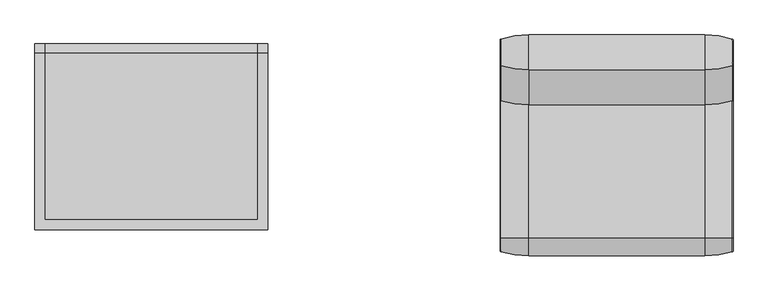
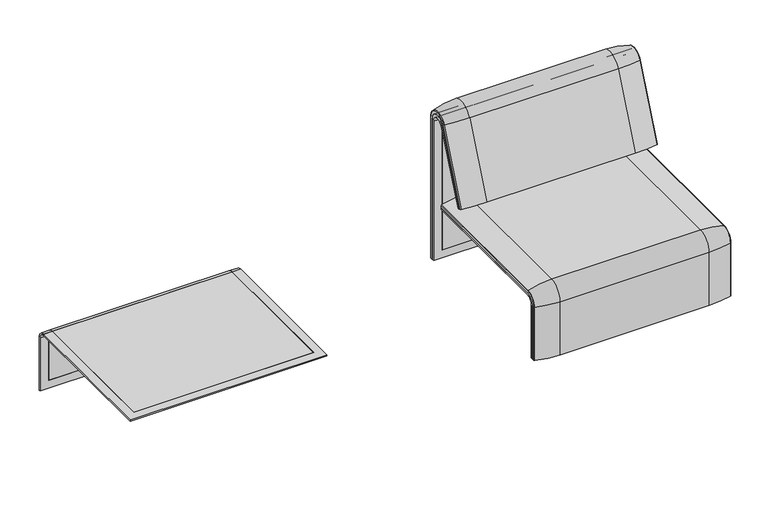
"""IFC4 building model written with IfcOpenShell, lengths in millimetres: furniture geometry."""

from ifc_helpers import new_model, si_unit, point, frame, frame_2d, origin, place, context, project, spatial, polyline, circle_curve, ellipse_curve, trimmed, segment, composite_curve, outline, extrude, source, transform, mapped, element, save
from ifc_brep_helpers import plane_surface, cylinder_surface, revolved_surface, advanced_brep


def furniture_2a7618e4(model_context):
    return source(origin(), model_context, "Body", "SolidModel", [
        advanced_brep(
        [(407.9906244, 295.0, 359.922434), (407.9906244, 295.0, 366.172434), (1223.9718733, 295.0, 366.172434), (1223.9718733, 295.0, 359.922434), (407.9906244, -357.5, 333.0583003), (407.9906244, -357.5, 100.5089435), (1223.9718733, -357.5, 100.5089435), (1223.9718733, -357.5, 333.0583003), (1189.0718733, -357.5, 333.0583003), (1189.0718733, -357.5, 135.3766997), (442.8906244, -357.5, 135.3766997), (442.8906244, -357.5, 333.0583003), (407.9906244, -323.7517936, 359.922434), (1223.9718733, -323.7517936, 359.922434), (1189.0718733, -323.7517936, 359.922434), (1189.0718733, 260.0, 359.922434), (442.8906244, 260.0, 359.922434), (442.8906244, -323.7517936, 359.922434), (1189.0718733, -351.0, 135.3766997), (1189.0718733, -324.3858663, 366.172434), (1189.0718733, 260.0, 366.172434), (1189.0718733, -351.0, 332.6742277), (442.8906244, 260.0, 366.172434), (407.9906244, -351.0, 332.6742277), (407.9906244, -351.0, 100.5089435), (407.9906244, -324.3858663, 366.172434), (1223.9718733, -324.3858663, 366.172434), (1223.9718733, -351.0, 100.5089435), (1223.9718733, -351.0, 332.6742277), (442.8906244, -324.3858663, 366.172434), (442.8906244, -351.0, 332.6742277), (442.8906244, -351.0, 135.3766997)],
        [
            (0, 1),
            (1, 2),
            (2, 3),
            (3, 0),
            (4, 5),
            (5, 6),
            (6, 7),
            (7, 8),
            (8, 9),
            (9, 10),
            (10, 11),
            (11, 4),
            (12, 0),
            (3, 13),
            (13, 14),
            (14, 15),
            (15, 16),
            (16, 17),
            (17, 12),
            (18, 9),
            (8, 19, circle_curve(frame((1189.0718733, -324.3858663, 333.0583003), z_axis=(-1.0, 0.0, 0.0), x_axis=(0.0, -1.0, 0.0)), 33.1141337)),
            (19, 20),
            (20, 15),
            (14, 21, circle_curve(frame((1189.0718733, -323.7517936, 332.6742277), z_axis=(1.0, 0.0, 0.0), x_axis=(0.0, -1.0, 0.0)), 27.2482064)),
            (21, 18),
            (22, 16),
            (20, 22),
            (12, 23, circle_curve(frame((407.9906244, -323.7517936, 332.6742277), z_axis=(1.0, 0.0, 0.0), x_axis=(0.0, -1.0, 0.0)), 27.2482064)),
            (23, 24),
            (24, 5),
            (4, 25, circle_curve(frame((407.9906244, -324.3858663, 333.0583003), z_axis=(-1.0, 0.0, 0.0), x_axis=(0.0, -1.0, 0.0)), 33.1141337)),
            (25, 1),
            (2, 26),
            (26, 7, circle_curve(frame((1223.9718733, -324.3858663, 333.0583003), z_axis=(1.0, 0.0, 0.0), x_axis=(0.0, -1.0, 0.0)), 33.1141337)),
            (6, 27),
            (27, 28),
            (28, 13, circle_curve(frame((1223.9718733, -323.7517936, 332.6742277), z_axis=(-1.0, 0.0, 0.0), x_axis=(0.0, -1.0, 0.0)), 27.2482064)),
            (25, 29),
            (29, 22),
            (19, 26),
            (11, 29, circle_curve(frame((442.8906244, -324.3858663, 333.0583003), z_axis=(-1.0, 0.0, 0.0), x_axis=(0.0, -1.0, 0.0)), 33.1141337)),
            (24, 27),
            (23, 30),
            (30, 31),
            (31, 18),
            (21, 28),
            (17, 30, circle_curve(frame((442.8906244, -323.7517936, 332.6742277), z_axis=(1.0, 0.0, 0.0), x_axis=(0.0, -1.0, 0.0)), 27.2482064)),
            (10, 31),
        ],
        [
            plane_surface(frame((407.9906244, 295.0, 366.172434), z_axis=(0.0, 1.0, 0.0), x_axis=(1.0, 0.0, 0.0))),
            plane_surface(frame((407.9906244, -357.5, 100.5089435), z_axis=(0.0, -1.0, 0.0), x_axis=(1.0, 0.0, 0.0))),
            plane_surface(frame((407.9906244, 295.0, 359.922434), z_axis=(0.0, 0.0, -1.0), x_axis=(1.0, 0.0, 0.0))),
            plane_surface(frame((1189.0718733, -296.9265415, 359.922434), z_axis=(-1.0, 0.0, 0.0), x_axis=(0.0, 1.0, 0.0))),
            plane_surface(frame((442.8906244, 260.0, 366.172434), z_axis=(0.0, -1.0, 0.0), x_axis=(1.0, 0.0, 0.0))),
            plane_surface(frame((407.9906244, -296.9265415, 359.922434), z_axis=(-1.0, 0.0, 0.0), x_axis=(0.0, -1.0, 0.0))),
            plane_surface(frame((1223.9718733, -296.9265415, 359.922434), z_axis=(1.0, 0.0, 0.0), x_axis=(0.0, 1.0, 0.0))),
            plane_surface(frame((407.9906244, -324.3858663, 366.172434), z_axis=(0.0, 0.0, 1.0), x_axis=(1.0, 0.0, 0.0))),
            cylinder_surface(frame((1223.9718733, -324.3858663, 333.0583003), z_axis=(-1.0, 0.0, 0.0), x_axis=(0.0, -1.0, 0.0)), 33.1141337),
            plane_surface(frame((407.9906244, -351.0, 100.5089435), z_axis=(0.0, 0.0, -1.0), x_axis=(1.0, 0.0, 0.0))),
            plane_surface(frame((407.9906244, -351.0, 332.6742277), z_axis=(0.0, 1.0, 0.0), x_axis=(1.0, 0.0, 0.0))),
            revolved_surface(polyline([(442.8906244, -351.0, 332.6742277), (407.9906244, -351.0, 332.6742277)]), (1223.9718733, -323.7517936, 332.6742277), (1.0, 0.0, 0.0)),
            revolved_surface(polyline([(1223.9718733, -351.0, 332.6742277), (1189.0718733, -351.0, 332.6742277)]), (1223.9718733, -323.7517936, 332.6742277), (1.0, 0.0, 0.0)),
            plane_surface(frame((442.8906244, -296.9265415, 359.922434), z_axis=(1.0, 0.0, 0.0), x_axis=(0.0, -1.0, 0.0))),
            plane_surface(frame((442.8906244, -351.0, 135.3766997), z_axis=(0.0, 0.0, 1.0), x_axis=(1.0, 0.0, 0.0))),
        ],
        [
            (0, [[1, 2, 3, 4]]),
            (1, [[5, 6, 7, 8, 9, 10, 11, 12]]),
            (2, [[13, -4, 14, 15, 16, 17, 18, 19]]),
            (3, [[20, -9, 21, 22, 23, -16, 24, 25]]),
            (4, [[26, -17, -23, 27]]),
            (5, [[-13, 28, 29, 30, -5, 31, 32, -1]]),
            (6, [[-3, 33, 34, -7, 35, 36, 37, -14]]),
            (7, [[-32, 38, 39, -27, -22, 40, -33, -2]]),
            (8, [[-34, -40, -21, -8]]),
            (8, [[-31, -12, 41, -38]]),
            (9, [[-30, 42, -35, -6]]),
            (10, [[-29, 43, 44, 45, -25, 46, -36, -42]]),
            (11, [[-28, -19, 47, -43]]),
            (12, [[-37, -46, -24, -15]]),
            (13, [[-26, -39, -41, -11, 48, -44, -47, -18]]),
            (14, [[-48, -10, -20, -45]]),
        ],
    ),
        extrude(outline(composite_curve([segment(polyline([(260.0, 359.922434), (-323.7517936, 359.922434)]), True, "CONTINUOUS"), segment(trimmed(circle_curve(frame_2d((-323.7517936, 332.6742277)), 27.2482064), [point((-323.7517936, 359.922434))], [point((-351.0, 332.6742277))], True, "CARTESIAN"), True, "CONTINUOUS"), segment(polyline([(-351.0, 332.6742277), (-351.0, 135.3766997), (-357.5, 135.3766997), (-357.5, 333.0583003)]), True, "CONTINUOUS"), segment(trimmed(circle_curve(frame_2d((-324.3858663, 333.0583003)), 33.1141337), [point((-357.5, 333.0583003))], [point((-324.3858663, 366.172434))], False, "CARTESIAN"), True, "CONTINUOUS"), segment(polyline([(-324.3858663, 366.172434), (260.0, 366.172434), (260.0, 359.922434)]), True, "CONTINUOUS")], self_intersect=False)), frame((442.8906244, 0.0, 0.0), z_axis=(1.0, 0.0, 0.0), x_axis=(0.0, 1.0, 0.0)), (0.0, 0.0, 1.0), 746.1812488),
        advanced_brep(
        [(407.9906244, -368.7793679, 100.5089435), (407.9906244, -357.5, 100.5089435), (1223.9718733, -357.5, 100.5089435), (1223.9718733, -368.7793679, 100.5089435), (1221.8332448, -371.6530483, 100.5089435), (1123.9718733, -386.0043559, 100.5089435), (507.9906244, -386.0043559, 100.5089435), (410.1292529, -371.6530483, 100.5089435), (407.9906244, 295.0, 377.4518019), (410.1292529, 295.0, 380.3254823), (507.9906244, 295.0, 394.67679), (1123.9718733, 295.0, 394.67679), (1221.8332448, 295.0, 380.3254823), (1223.9718733, 295.0, 377.4518019), (1223.9718733, 295.0, 366.172434), (407.9906244, 295.0, 366.172434), (407.9906244, -368.7793679, 333.0583003), (407.9906244, -324.3858663, 377.4518019), (407.9906244, -324.3858663, 366.172434), (407.9906244, -357.5, 333.0583003), (1223.9718733, -357.5, 333.0583003), (1123.9718733, -386.0043559, 333.0583003), (507.9906244, -386.0043559, 333.0583003), (410.1292529, -371.6530483, 333.0583003), (1223.9718733, -324.3858663, 366.172434), (507.9906244, -324.3858663, 394.67679), (1123.9718733, -324.3858663, 394.67679), (410.1292529, -324.3858663, 380.3254823), (1223.9718733, -324.3858663, 377.4518019), (1223.9718733, -368.7793679, 333.0583003), (1221.8332448, -371.6530483, 333.0583003), (1221.8332448, -324.3858663, 380.3254823)],
        [
            (0, 1),
            (1, 2),
            (2, 3),
            (3, 4, circle_curve(frame((1220.9718733, -368.7793679, 100.5089435), z_axis=(0.0, 0.0, -1.0), x_axis=(-1.0, 0.0, 0.0)), 3.0)),
            (4, 5, circle_curve(frame((1123.9718733, -45.1710226, 100.5089435), z_axis=(0.0, 0.0, -1.0), x_axis=(0.0, 1.0, 0.0)), 340.8333333)),
            (5, 6),
            (6, 7, circle_curve(frame((507.9906244, -45.1710226, 100.5089435), z_axis=(0.0, 0.0, -1.0), x_axis=(0.0, 1.0, 0.0)), 340.8333333)),
            (7, 0, circle_curve(frame((410.9906244, -368.7793679, 100.5089435), z_axis=(0.0, 0.0, -1.0), x_axis=(1.0, 0.0, 0.0)), 3.0)),
            (8, 9, circle_curve(frame((410.9906244, 295.0, 377.4518019), z_axis=(0.0, 1.0, 0.0), x_axis=(1.0, 0.0, 0.0)), 3.0)),
            (9, 10, circle_curve(frame((507.9906244, 295.0, 53.8434566), z_axis=(0.0, 1.0, 0.0), x_axis=(0.0, 0.0, -1.0)), 340.8333333)),
            (10, 11),
            (11, 12, circle_curve(frame((1123.9718733, 295.0, 53.8434566), z_axis=(0.0, 1.0, 0.0), x_axis=(0.0, 0.0, -1.0)), 340.8333333)),
            (12, 13, circle_curve(frame((1220.9718733, 295.0, 377.4518019), z_axis=(0.0, 1.0, 0.0), x_axis=(-1.0, 0.0, 0.0)), 3.0)),
            (13, 14),
            (14, 15),
            (15, 8),
            (0, 16),
            (16, 17, circle_curve(frame((407.9906244, -324.3858663, 333.0583003), z_axis=(-1.0, 0.0, 0.0), x_axis=(0.0, -1.0, 0.0)), 44.3935016)),
            (17, 8),
            (15, 18),
            (18, 19, circle_curve(frame((407.9906244, -324.3858663, 333.0583003), z_axis=(1.0, 0.0, 0.0), x_axis=(0.0, -1.0, 0.0)), 33.1141337)),
            (19, 1),
            (19, 20),
            (20, 2),
            (5, 21),
            (21, 22),
            (22, 6),
            (22, 23, circle_curve(frame((507.9906244, -45.1710226, 333.0583003), z_axis=(0.0, 0.0, -1.0), x_axis=(0.0, 1.0, 0.0)), 340.8333333)),
            (23, 7),
            (23, 16, circle_curve(frame((410.9906244, -368.7793679, 333.0583003), z_axis=(0.0, 0.0, -1.0), x_axis=(1.0, 0.0, 0.0)), 3.0)),
            (24, 20, circle_curve(frame((1223.9718733, -324.3858663, 333.0583003), z_axis=(1.0, 0.0, 0.0), x_axis=(0.0, -1.0, 0.0)), 33.1141337)),
            (18, 24),
            (25, 22, circle_curve(frame((507.9906244, -324.3858663, 333.0583003), z_axis=(1.0, 0.0, 0.0), x_axis=(0.0, -1.0, 0.0)), 61.6184897)),
            (21, 26, circle_curve(frame((1123.9718733, -324.3858663, 333.0583003), z_axis=(-1.0, 0.0, 0.0), x_axis=(0.0, -1.0, 0.0)), 61.6184897)),
            (26, 25),
            (27, 23, circle_curve(frame((410.1292529, -324.3858663, 333.0583003), z_axis=(1.0, 0.0, 0.0), x_axis=(0.0, -1.0, 0.0)), 47.267182)),
            (25, 27, circle_curve(frame((507.9906244, -324.3858663, 53.8434566), z_axis=(0.0, -1.0, 0.0), x_axis=(0.0, 0.0, -1.0)), 340.8333333)),
            (27, 17, circle_curve(frame((410.9906244, -324.3858663, 377.4518019), z_axis=(0.0, -1.0, 0.0), x_axis=(1.0, 0.0, 0.0)), 3.0)),
            (14, 24),
            (26, 11),
            (10, 25),
            (9, 27),
            (13, 28),
            (28, 29, circle_curve(frame((1223.9718733, -324.3858663, 333.0583003), z_axis=(1.0, 0.0, 0.0), x_axis=(0.0, -1.0, 0.0)), 44.3935016)),
            (29, 3),
            (29, 30, circle_curve(frame((1220.9718733, -368.7793679, 333.0583003), z_axis=(0.0, 0.0, -1.0), x_axis=(-1.0, 0.0, 0.0)), 3.0)),
            (30, 4),
            (30, 21, circle_curve(frame((1123.9718733, -45.1710226, 333.0583003), z_axis=(0.0, 0.0, -1.0), x_axis=(0.0, 1.0, 0.0)), 340.8333333)),
            (31, 30, circle_curve(frame((1221.8332448, -324.3858663, 333.0583003), z_axis=(1.0, 0.0, 0.0), x_axis=(0.0, -1.0, 0.0)), 47.267182)),
            (28, 31, circle_curve(frame((1220.9718733, -324.3858663, 377.4518019), z_axis=(0.0, -1.0, 0.0), x_axis=(-1.0, 0.0, 0.0)), 3.0)),
            (31, 26, circle_curve(frame((1123.9718733, -324.3858663, 53.8434566), z_axis=(0.0, -1.0, 0.0), x_axis=(0.0, 0.0, -1.0)), 340.8333333)),
            (12, 31),
        ],
        [
            plane_surface(frame((407.9906244, -357.5, 100.5089435), z_axis=(0.0, 0.0, -1.0), x_axis=(1.0, 0.0, 0.0))),
            plane_surface(frame((407.9906244, 295.0, 366.172434), z_axis=(0.0, 1.0, 0.0), x_axis=(1.0, 0.0, 0.0))),
            plane_surface(frame((407.9906244, -368.7793679, 100.5089435), z_axis=(-1.0, 0.0, 0.0), x_axis=(0.0, 0.0, 1.0))),
            plane_surface(frame((407.9906244, -357.5, 100.5089435), z_axis=(0.0, 1.0, 0.0), x_axis=(0.0, 0.0, 1.0))),
            plane_surface(frame((1123.9718733, -386.0043559, 100.5089435), z_axis=(0.0, -1.0, 0.0), x_axis=(0.0, 0.0, 1.0))),
            cylinder_surface(frame((507.9906244, -45.1710226, 100.5089435), z_axis=(0.0, 0.0, -1.0), x_axis=(0.0, 1.0, 0.0)), 340.8333333),
            cylinder_surface(frame((410.9906244, -368.7793679, 100.5089435), z_axis=(0.0, 0.0, -1.0), x_axis=(1.0, 0.0, 0.0)), 3.0),
            revolved_surface(polyline([(407.9906244, -357.5, 333.0583003), (1223.9718733, -357.5, 333.0583003)]), (407.9906244, -324.3858663, 333.0583003), (-1.0, 0.0, 0.0)),
            cylinder_surface(frame((407.9906244, -324.3858663, 333.0583003), z_axis=(-1.0, 0.0, 0.0), x_axis=(0.0, -1.0, 0.0)), 61.6184897),
            revolved_surface(trimmed(ellipse_curve(frame((507.9906244, -45.1710226, 333.0583003), z_axis=(0.0, 0.0, -1.0), x_axis=(0.0, 1.0, 0.0)), 340.8333333, 340.8333333), [point((507.9906244, -386.0043559, 333.0583003))], [point((410.1292529, -371.6530483, 333.0583003))], True, "CARTESIAN"), (407.9906244, -324.3858663, 333.0583003), (-1.0, 0.0, 0.0)),
            revolved_surface(trimmed(ellipse_curve(frame((410.9906244, -368.7793679, 333.0583003), z_axis=(0.0, 0.0, -1.0), x_axis=(1.0, 0.0, 0.0)), 3.0, 3.0), [point((410.1292529, -371.6530483, 333.0583003))], [point((407.9906244, -368.7793679, 333.0583003))], True, "CARTESIAN"), (407.9906244, -324.3858663, 333.0583003), (-1.0, 0.0, 0.0)),
            plane_surface(frame((407.9906244, -324.3858663, 366.172434), z_axis=(0.0, 0.0, -1.0), x_axis=(0.0, 1.0, 0.0))),
            plane_surface(frame((1123.9718733, -324.3858663, 394.67679), z_axis=(0.0, 0.0, 1.0), x_axis=(0.0, 1.0, 0.0))),
            cylinder_surface(frame((507.9906244, -324.3858663, 53.8434566), z_axis=(0.0, -1.0, 0.0), x_axis=(0.0, 0.0, -1.0)), 340.8333333),
            cylinder_surface(frame((410.9906244, -324.3858663, 377.4518019), z_axis=(0.0, -1.0, 0.0), x_axis=(1.0, 0.0, 0.0)), 3.0),
            plane_surface(frame((1223.9718733, -357.5, 100.5089435), z_axis=(1.0, 0.0, 0.0), x_axis=(0.0, 0.0, 1.0))),
            cylinder_surface(frame((1220.9718733, -368.7793679, 100.5089435), z_axis=(0.0, 0.0, -1.0), x_axis=(-1.0, 0.0, 0.0)), 3.0),
            cylinder_surface(frame((1123.9718733, -45.1710226, 100.5089435), z_axis=(0.0, 0.0, -1.0), x_axis=(0.0, 1.0, 0.0)), 340.8333333),
            revolved_surface(trimmed(ellipse_curve(frame((1220.9718733, -368.7793679, 333.0583003), z_axis=(0.0, 0.0, -1.0), x_axis=(-1.0, 0.0, 0.0)), 3.0, 3.0), [point((1223.9718733, -368.7793679, 333.0583003))], [point((1221.8332448, -371.6530483, 333.0583003))], True, "CARTESIAN"), (407.9906244, -324.3858663, 333.0583003), (-1.0, 0.0, 0.0)),
            revolved_surface(trimmed(ellipse_curve(frame((1123.9718733, -45.1710226, 333.0583003), z_axis=(0.0, 0.0, -1.0), x_axis=(0.0, 1.0, 0.0)), 340.8333333, 340.8333333), [point((1221.8332448, -371.6530483, 333.0583003))], [point((1123.9718733, -386.0043559, 333.0583003))], True, "CARTESIAN"), (407.9906244, -324.3858663, 333.0583003), (-1.0, 0.0, 0.0)),
            cylinder_surface(frame((1220.9718733, -324.3858663, 377.4518019), z_axis=(0.0, -1.0, 0.0), x_axis=(-1.0, 0.0, 0.0)), 3.0),
            cylinder_surface(frame((1123.9718733, -324.3858663, 53.8434566), z_axis=(0.0, -1.0, 0.0), x_axis=(0.0, 0.0, -1.0)), 340.8333333),
        ],
        [
            (0, [[1, 2, 3, 4, 5, 6, 7, 8]]),
            (1, [[9, 10, 11, 12, 13, 14, 15, 16]]),
            (2, [[-1, 17, 18, 19, -16, 20, 21, 22]]),
            (3, [[-2, -22, 23, 24]]),
            (4, [[-6, 25, 26, 27]]),
            (5, [[-7, -27, 28, 29]]),
            (6, [[-8, -29, 30, -17]]),
            (7, [[31, -23, -21, 32]]),
            (8, [[33, -26, 34, 35]]),
            (9, [[36, -28, -33, 37]]),
            (10, [[-18, -30, -36, 38]]),
            (11, [[-32, -20, -15, 39]]),
            (12, [[-35, 40, -11, 41]]),
            (13, [[-37, -41, -10, 42]]),
            (14, [[-38, -42, -9, -19]]),
            (15, [[-3, -24, -31, -39, -14, 43, 44, 45]]),
            (16, [[-4, -45, 46, 47]]),
            (17, [[-5, -47, 48, -25]]),
            (18, [[49, -46, -44, 50]]),
            (19, [[-34, -48, -49, 51]]),
            (20, [[-50, -43, -13, 52]]),
            (21, [[-51, -52, -12, -40]]),
        ],
    ),
        advanced_brep(
        [(1189.0718733, 176.0980387, 452.25948), (1189.0718733, 181.0136548, 450.2250668), (442.8906244, 181.0136548, 450.2250668), (442.8906244, 176.0980387, 452.25948), (1223.9884174, 351.0000061, 101.8476716), (1223.9884174, 351.0000061, 712.9272623), (1189.0718733, 351.0000061, 712.9272623), (1189.0718733, 351.0000061, 135.3766997), (442.8906244, 351.0000061, 135.3766997), (442.8906244, 351.0000061, 712.9272623), (408.0071685, 351.0000061, 712.9272623), (408.0071685, 351.0000061, 101.8476716), (1223.9884174, 359.7858817, 101.8476716), (1223.9884174, 359.7858817, 720.3417731), (1223.9884174, 292.4403877, 733.7122262), (1223.9884174, 170.1966807, 437.98305), (1223.9884174, 175.0204081, 435.9866665), (1223.9884174, 296.2458652, 723.9869215), (408.0071685, 296.2720241, 723.9759107), (408.0071685, 175.0204081, 435.9866665), (408.0071685, 170.1966807, 437.98305), (408.0071685, 292.4403877, 733.7122262), (408.0071685, 359.7858817, 720.3417731), (408.0071685, 359.7858817, 101.8476716), (1189.0718733, 292.4403877, 733.7122262), (442.8906244, 292.4403877, 733.7122262), (442.8906244, 296.2458652, 723.9869215), (1189.0718733, 296.2458652, 723.9869215), (442.8906244, 359.7858817, 720.3417731), (442.8906244, 359.7858817, 135.3766997), (1189.0718733, 359.7858817, 135.3766997), (1189.0718733, 359.7858817, 720.3417731)],
        [
            (0, 1),
            (1, 2),
            (2, 3),
            (3, 0),
            (4, 5),
            (5, 6),
            (6, 7),
            (7, 8),
            (8, 9),
            (9, 10),
            (10, 11),
            (11, 4),
            (4, 12),
            (12, 13),
            (13, 14, circle_curve(frame((1223.9884174, 324.7858817, 720.3417731), z_axis=(1.0, 0.0, 0.0), x_axis=(0.0, -1.0, 0.0)), 35.0)),
            (14, 15),
            (15, 16),
            (16, 17),
            (17, 5, circle_curve(frame((1223.9884174, 322.520748, 712.9272623), z_axis=(-1.0, 0.0, 0.0), x_axis=(0.0, -1.0, 0.0)), 28.479258)),
            (10, 18, circle_curve(frame((408.0071685, 322.520748, 712.9272623), z_axis=(1.0, 0.0, 0.0), x_axis=(0.0, -1.0, 0.0)), 28.479258)),
            (18, 19),
            (19, 20),
            (20, 21),
            (21, 22, circle_curve(frame((408.0071685, 324.7858817, 720.3417731), z_axis=(-1.0, 0.0, 0.0), x_axis=(0.0, -1.0, 0.0)), 35.0)),
            (22, 23),
            (23, 11),
            (14, 24),
            (24, 0),
            (3, 25),
            (25, 21),
            (20, 15),
            (19, 16),
            (18, 26),
            (26, 2),
            (1, 27),
            (27, 17),
            (23, 12),
            (22, 28),
            (28, 29),
            (29, 30),
            (30, 31),
            (31, 13),
            (31, 24, circle_curve(frame((1189.0718733, 324.7858817, 720.3417731), z_axis=(1.0, 0.0, 0.0), x_axis=(0.0, -1.0, 0.0)), 35.0)),
            (25, 28, circle_curve(frame((442.8906244, 324.7858817, 720.3417731), z_axis=(-1.0, 0.0, 0.0), x_axis=(0.0, -1.0, 0.0)), 35.0)),
            (27, 6, circle_curve(frame((1189.0718733, 322.520748, 712.9272623), z_axis=(-1.0, 0.0, 0.0), x_axis=(0.0, -1.0, 0.0)), 28.479258)),
            (9, 26, circle_curve(frame((442.8906244, 322.520748, 712.9272623), z_axis=(1.0, 0.0, 0.0), x_axis=(0.0, -1.0, 0.0)), 28.479258)),
            (30, 7),
            (8, 29),
        ],
        [
            plane_surface(frame((1189.0718733, 166.9120641, 456.0612553), z_axis=(0.0, 0.38241039441982605, 0.9239925812687422), x_axis=(-1.0, 0.0, 0.0))),
            plane_surface(frame((1223.9884174, 351.0000061, 712.9272623), z_axis=(0.0, -1.0, 0.0), x_axis=(-1.0, 0.0, 0.0))),
            plane_surface(frame((1223.9884174, 359.7858817, 101.8476716), z_axis=(1.0, 0.0, 0.0), x_axis=(0.0, 1.0, 0.0))),
            plane_surface(frame((408.0071685, 359.7858817, 101.8476716), z_axis=(-1.0, 0.0, 0.0), x_axis=(0.0, -1.0, 0.0))),
            plane_surface(frame((1223.9884174, 292.4403877, 733.7122262), z_axis=(0.0, -0.9241569717933176, 0.3820129467515535), x_axis=(-1.0, 0.0, 0.0))),
            plane_surface(frame((1223.9884174, 170.1966807, 437.98305), z_axis=(0.0, -0.38241039441983893, -0.9239925812687368), x_axis=(-1.0, 0.0, 0.0))),
            plane_surface(frame((1223.9884174, 175.0204081, 435.9866665), z_axis=(0.0, 0.921678643444566, -0.3879542218073993), x_axis=(-1.0, 0.0, 0.0))),
            plane_surface(frame((1223.9884174, 351.0000061, 101.8476716), z_axis=(0.0, 0.0, -1.0), x_axis=(-1.0, 0.0, 0.0))),
            plane_surface(frame((1223.9884174, 359.7858817, 101.8476716), z_axis=(0.0, 1.0, 0.0), x_axis=(-1.0, 0.0, 0.0))),
            cylinder_surface(frame((408.0071685, 324.7858817, 720.3417731), z_axis=(1.0, 0.0, 0.0), x_axis=(0.0, -1.0, 0.0)), 35.0),
            revolved_surface(polyline([(1189.0718733, 294.04149, 712.9272623), (1223.9884174, 294.04149, 712.9272623)]), (408.0071685, 322.520748, 712.9272623), (-1.0, 0.0, 0.0)),
            revolved_surface(polyline([(408.0071685, 294.04149, 712.9272623), (442.8906244, 294.04149, 712.9272623)]), (408.0071685, 322.520748, 712.9272623), (-1.0, 0.0, 0.0)),
            plane_surface(frame((1189.0718733, 359.7858817, 135.3766997), z_axis=(-1.0, 0.0, 0.0), x_axis=(0.0, 1.0, 0.0))),
            plane_surface(frame((442.8906244, 359.7858817, 135.3766997), z_axis=(1.0, 0.0, 0.0), x_axis=(0.0, -1.0, 0.0))),
            plane_surface(frame((1189.0718733, 344.7858817, 135.3766997), z_axis=(0.0, 0.0, 1.0), x_axis=(-1.0, 0.0, 0.0))),
        ],
        [
            (0, [[1, 2, 3, 4]]),
            (1, [[5, 6, 7, 8, 9, 10, 11, 12]]),
            (2, [[13, 14, 15, 16, 17, 18, 19, -5]]),
            (3, [[-11, 20, 21, 22, 23, 24, 25, 26]]),
            (4, [[-16, 27, 28, -4, 29, 30, -23, 31]]),
            (5, [[-17, -31, -22, 32]]),
            (6, [[-18, -32, -21, 33, 34, -2, 35, 36]]),
            (7, [[-13, -12, -26, 37]]),
            (8, [[-14, -37, -25, 38, 39, 40, 41, 42]]),
            (9, [[-15, -42, 43, -27]]),
            (9, [[-24, -30, 44, -38]]),
            (10, [[-19, -36, 45, -6]]),
            (11, [[-20, -10, 46, -33]]),
            (12, [[-1, -28, -43, -41, 47, -7, -45, -35]]),
            (13, [[48, -39, -44, -29, -3, -34, -46, -9]]),
            (14, [[-47, -40, -48, -8]]),
        ],
    ),
        advanced_brep(
        [(442.8906244, 351.0000061, 135.3766997), (442.8906244, 351.0000061, 712.9272623), (442.8906244, 296.2720241, 723.9759107), (442.8906244, 181.0136548, 450.2250668), (442.8906244, 176.0980387, 452.25948), (442.8906244, 292.4403877, 733.7122262), (442.8906244, 359.7858817, 720.3417731), (442.8906244, 359.7858817, 135.3766997), (1189.0718733, 176.0980387, 452.25948), (1189.0718733, 292.4403877, 733.7122262), (1189.0718733, 181.0136548, 450.2250668), (1189.0718733, 296.2458652, 723.9869215), (1189.0718733, 351.0000061, 135.3766997), (1189.0718733, 351.0000061, 712.9272623), (1189.0718733, 359.7858817, 135.3766997), (1189.0718733, 359.7858817, 720.3417731)],
        [
            (0, 1),
            (1, 2, circle_curve(frame((442.8906244, 322.520748, 712.9272623), z_axis=(1.0, 0.0, 0.0), x_axis=(0.0, -1.0, 0.0)), 28.479258)),
            (2, 3),
            (3, 4),
            (4, 5),
            (5, 6, circle_curve(frame((442.8906244, 324.7858817, 720.3417731), z_axis=(-1.0, 0.0, 0.0), x_axis=(0.0, -1.0, 0.0)), 35.0)),
            (6, 7),
            (7, 0),
            (8, 9),
            (9, 5),
            (4, 8),
            (10, 8),
            (3, 10),
            (11, 10),
            (2, 11),
            (12, 13),
            (13, 1),
            (0, 12),
            (12, 14),
            (14, 15),
            (15, 9, circle_curve(frame((1189.0718733, 324.7858817, 720.3417731), z_axis=(1.0, 0.0, 0.0), x_axis=(0.0, -1.0, 0.0)), 35.0)),
            (11, 13, circle_curve(frame((1189.0718733, 322.520748, 712.9272623), z_axis=(-1.0, 0.0, 0.0), x_axis=(0.0, -1.0, 0.0)), 28.479258)),
            (7, 14),
            (6, 15),
        ],
        [
            plane_surface(frame((442.8906244, 359.7858817, 135.3766997), z_axis=(-1.0, 0.0, 0.0), x_axis=(0.0, -1.0, 0.0))),
            plane_surface(frame((1189.0718733, 292.4403877, 733.7122262), z_axis=(0.0, -0.9241569717933176, 0.3820129467515535), x_axis=(-1.0, 0.0, 0.0))),
            plane_surface(frame((1189.0718733, 176.0980387, 452.25948), z_axis=(0.0, -0.38241039441982716, -0.9239925812687417), x_axis=(-1.0, 0.0, 0.0))),
            plane_surface(frame((1189.0718733, 181.0136548, 450.2250668), z_axis=(0.0, 0.921678643444566, -0.3879542218073993), x_axis=(-1.0, 0.0, 0.0))),
            plane_surface(frame((1189.0718733, 351.0000061, 712.9272623), z_axis=(0.0, -1.0, 0.0), x_axis=(-1.0, 0.0, 0.0))),
            plane_surface(frame((1189.0718733, 359.7858817, 135.3766997), z_axis=(1.0, 0.0, 0.0), x_axis=(0.0, 1.0, 0.0))),
            plane_surface(frame((1189.0718733, 351.0000061, 135.3766997), z_axis=(0.0, 0.0, -1.0), x_axis=(-1.0, 0.0, 0.0))),
            plane_surface(frame((1189.0718733, 359.7858817, 135.3766997), z_axis=(0.0, 1.0, 0.0), x_axis=(-1.0, 0.0, 0.0))),
            cylinder_surface(frame((442.8906244, 324.7858817, 720.3417731), z_axis=(1.0, 0.0, 0.0), x_axis=(0.0, -1.0, 0.0)), 35.0),
            revolved_surface(polyline([(442.8906244, 294.04149, 712.9272623), (1189.0718733, 294.04149, 712.9272623)]), (442.8906244, 322.520748, 712.9272623), (-1.0, 0.0, 0.0)),
        ],
        [
            (0, [[1, 2, 3, 4, 5, 6, 7, 8]]),
            (1, [[9, 10, -5, 11]]),
            (2, [[12, -11, -4, 13]]),
            (3, [[14, -13, -3, 15]]),
            (4, [[16, 17, -1, 18]]),
            (5, [[19, 20, 21, -9, -12, -14, 22, -16]]),
            (6, [[-19, -18, -8, 23]]),
            (7, [[-20, -23, -7, 24]]),
            (8, [[-21, -24, -6, -10]]),
            (9, [[-22, -15, -2, -17]]),
        ],
    ),
        extrude(outline(composite_curve([segment(trimmed(circle_curve(frame_2d((305.0000061, 379.9223263)), 30.0), [point((305.0000061, 349.9223263))], [point((335.0000061, 379.9223263))], True, "CARTESIAN"), True, "CONTINUOUS"), segment(polyline([(335.0000061, 379.9223263), (335.0000061, 515.0657595)]), True, "CONTINUOUS"), segment(trimmed(circle_curve(frame_2d((305.0000061, 515.0657595)), 30.0), [point((335.0000061, 515.0657595))], [point((316.7219399, 542.6809051))], True, "CARTESIAN"), True, "CONTINUOUS"), segment(polyline([(316.7219399, 542.6809051), (257.4911714, 567.8228747)]), True, "CONTINUOUS"), segment(trimmed(circle_curve(frame_2d((251.6302045, 554.0153019)), 15.0), [point((257.4911714, 567.8228747))], [point((238.0355877, 560.3545758))], True, "CARTESIAN"), True, "CONTINUOUS"), segment(polyline([(238.0355877, 560.3545758), (222.2725218, 526.5505721), (213.7507451, 529.5682915), (296.3054528, 724.0549949)]), True, "CONTINUOUS"), segment(trimmed(circle_curve(frame_2d((322.520748, 712.9272623)), 28.479258), [point((296.3054528, 724.0549949))], [point((351.0000061, 712.9272623))], False, "CARTESIAN"), True, "CONTINUOUS"), segment(polyline([(351.0000061, 712.9272623), (351.0000061, 197.0551771), (343.3075759, 197.0551771), (339.4064861, 271.492405)]), True, "CONTINUOUS"), segment(trimmed(circle_curve(frame_2d((309.4476, 269.9223263)), 30.0), [point((339.4064861, 271.492405))], [point((309.4476, 299.9223263))], True, "CARTESIAN"), True, "CONTINUOUS"), segment(polyline([(309.4476, 299.9223263), (270.0000061, 299.9223263), (270.0000061, 359.9223263), (275.0000061, 359.9223263)]), True, "CONTINUOUS"), segment(trimmed(circle_curve(frame_2d((285.0000061, 359.9223263)), 10.0), [point((275.0000061, 359.9223263))], [point((285.0000061, 349.9223263))], True, "CARTESIAN"), True, "CONTINUOUS"), segment(polyline([(285.0000061, 349.9223263), (305.0000061, 349.9223263)]), True, "CONTINUOUS")], self_intersect=False), holes=[composite_curve([segment(polyline([(337.5000061, 576.3274105), (337.5000061, 716.7072663)]), True, "CONTINUOUS"), segment(trimmed(circle_curve(frame_2d((322.5000061, 716.7072663)), 15.0), [point((337.5000061, 716.7072663))], [point((308.9053893, 723.0465402))], True, "CARTESIAN"), True, "CONTINUOUS"), segment(polyline([(308.9053893, 723.0465402), (253.6256191, 604.4986904)]), True, "CONTINUOUS"), segment(trimmed(circle_curve(frame_2d((271.7517748, 596.0463251)), 20.0), [point((253.6256191, 604.4986904))], [point((265.0756376, 577.1934953))], True, "CARTESIAN"), True, "CONTINUOUS"), segment(polyline([(265.0756376, 577.1934953), (314.1406626, 559.8186587)]), True, "CONTINUOUS"), segment(trimmed(circle_curve(frame_2d((319.9867182, 576.3274105)), 17.5132879), [point((314.1406626, 559.8186587))], [point((337.5000061, 576.3274105))], True, "CARTESIAN"), True, "CONTINUOUS")], self_intersect=False)]), frame((1060.9760457, 0.0, 0.0), z_axis=(1.0, 0.0, 0.0), x_axis=(0.0, 1.0, 0.0)), (0.0, 0.0, 1.0), 40.0),
        advanced_brep(
        [(1221.8497889, 373.93893, 100.5089435), (1123.9884174, 388.2902376, 100.5089435), (1123.9884174, 388.2902376, 720.3417731), (1221.8497889, 373.93893, 720.3417731), (407.9740803, 292.4403877, 733.7122262), (407.9740803, 359.7858817, 720.3417731), (1223.9884174, 359.7858817, 720.3417731), (1223.9884174, 292.4403877, 733.7122262), (507.9740803, 388.2902376, 100.5089435), (410.1127088, 373.93893, 100.5089435), (410.1127088, 373.93893, 720.3417731), (507.9740803, 388.2902376, 720.3417731), (410.1127088, 279.3607494, 739.1188739), (407.9740803, 282.0164812, 738.0210907), (407.9740803, 159.7723383, 442.2908598), (410.1127088, 157.1166065, 443.3886429), (507.9740803, 266.0978884, 744.6012592), (507.9740803, 143.8537454, 448.8710282), (1223.9884174, 371.0652495, 100.5089435), (1223.9884174, 359.7858817, 100.5089435), (407.9740803, 359.7858817, 100.5089435), (407.9740803, 371.0652495, 100.5089435), (1223.9884174, 371.0652495, 720.3417731), (1223.9884174, 282.0164812, 738.0210907), (1223.9884174, 159.7723383, 442.2908598), (1223.9884174, 170.1962447, 437.9819952), (1123.9884174, 143.8537454, 448.8710282), (407.9740803, 170.1962447, 437.9819952), (1221.8497889, 157.1166065, 443.3886429), (1123.9884174, 266.0978884, 744.6012592), (1221.8497889, 279.3607494, 739.1188739), (407.9740803, 371.0652495, 720.3417731)],
        [
            (0, 1, circle_curve(frame((1123.9884174, 47.4569043, 100.5089435), z_axis=(0.0, 0.0, 1.0), x_axis=(0.0, -1.0, 0.0)), 340.8333333)),
            (1, 2),
            (2, 3, circle_curve(frame((1123.9884174, 47.4569043, 720.3417731), z_axis=(0.0, 0.0, -1.0), x_axis=(0.0, -1.0, 0.0)), 340.8333333)),
            (3, 0),
            (4, 5, circle_curve(frame((407.9740803, 324.7858817, 720.3417731), z_axis=(-1.0, 0.0, 0.0), x_axis=(0.0, 1.0, 0.0)), 35.0)),
            (5, 6),
            (6, 7, circle_curve(frame((1223.9884174, 324.7858817, 720.3417731), z_axis=(1.0, 0.0, 0.0), x_axis=(0.0, 1.0, 0.0)), 35.0)),
            (7, 4),
            (8, 9, circle_curve(frame((507.9740803, 47.4569043, 100.5089435), z_axis=(0.0, 0.0, 1.0), x_axis=(0.0, -1.0, 0.0)), 340.8333333)),
            (9, 10),
            (10, 11, circle_curve(frame((507.9740803, 47.4569043, 720.3417731), z_axis=(0.0, 0.0, -1.0), x_axis=(0.0, -1.0, 0.0)), 340.8333333)),
            (11, 8),
            (12, 13, circle_curve(frame((410.9740803, 282.0164812, 738.0210907), z_axis=(0.0, -0.38201294675155345, -0.9241569717933176), x_axis=(-1.0, 0.0, 0.0)), 3.0)),
            (13, 14),
            (14, 15, circle_curve(frame((410.9740803, 159.7723383, 442.2908598), z_axis=(0.0, 0.38201294675155345, 0.9241569717933176), x_axis=(-1.0, 0.0, 0.0)), 3.0)),
            (15, 12),
            (16, 12, circle_curve(frame((507.9740803, 581.0813896, 614.3985132), z_axis=(0.0, -0.38201294675155345, -0.9241569717933176), x_axis=(0.0, 0.9241569717933176, -0.38201294675155345)), 340.8333333)),
            (15, 17, circle_curve(frame((507.9740803, 458.8372467, 318.6682822), z_axis=(0.0, 0.38201294675155345, 0.9241569717933176), x_axis=(0.0, 0.9241569717933176, -0.38201294675155345)), 340.8333333)),
            (17, 16),
            (0, 18, circle_curve(frame((1220.9884174, 371.0652495, 100.5089435), z_axis=(0.0, 0.0, -1.0), x_axis=(1.0, 0.0, 0.0)), 3.0)),
            (18, 19),
            (19, 20),
            (20, 21),
            (21, 9, circle_curve(frame((410.9740803, 371.0652495, 100.5089435), z_axis=(0.0, 0.0, -1.0), x_axis=(-1.0, 0.0, 0.0)), 3.0)),
            (8, 1),
            (11, 2),
            (3, 22, circle_curve(frame((1220.9884174, 371.0652495, 720.3417731), z_axis=(0.0, 0.0, -1.0), x_axis=(1.0, 0.0, 0.0)), 3.0)),
            (22, 18),
            (22, 23, circle_curve(frame((1223.9884174, 324.7858817, 720.3417731), z_axis=(1.0, 0.0, 0.0), x_axis=(0.0, 1.0, 0.0)), 46.2793679)),
            (23, 24),
            (24, 25),
            (25, 7),
            (6, 19),
            (5, 20),
            (26, 17),
            (14, 27),
            (27, 25),
            (24, 28, circle_curve(frame((1220.9884174, 159.7723383, 442.2908598), z_axis=(0.0, -0.38201294675155345, -0.9241569717933176), x_axis=(1.0, 0.0, 0.0)), 3.0)),
            (28, 26, circle_curve(frame((1123.9884174, 458.8372467, 318.6682822), z_axis=(0.0, -0.38201294675155345, -0.9241569717933176), x_axis=(0.0, 0.9241569717933176, -0.38201294675155345)), 340.8333333)),
            (29, 2, circle_curve(frame((1123.9884174, 324.7858817, 720.3417731), z_axis=(-1.0, 0.0, 0.0), x_axis=(0.0, 1.0, 0.0)), 63.5043559)),
            (11, 16, circle_curve(frame((507.9740803, 324.7858817, 720.3417731), z_axis=(1.0, 0.0, 0.0), x_axis=(0.0, 1.0, 0.0)), 63.5043559)),
            (16, 29),
            (30, 3, circle_curve(frame((1221.8497889, 324.7858817, 720.3417731), z_axis=(-1.0, 0.0, 0.0), x_axis=(0.0, 1.0, 0.0)), 49.1530483)),
            (29, 30, circle_curve(frame((1123.9884174, 581.0813896, 614.3985132), z_axis=(0.0, 0.382012946751556, 0.9241569717933165), x_axis=(0.0, 0.9241569717933165, -0.382012946751556)), 340.8333333)),
            (30, 23, circle_curve(frame((1220.9884174, 282.0164812, 738.0210907), z_axis=(0.0, 0.3820129467515552, 0.9241569717933168), x_axis=(1.0, 0.0, 0.0)), 3.0)),
            (26, 29),
            (28, 30),
            (27, 4),
            (13, 31, circle_curve(frame((407.9740803, 324.7858817, 720.3417731), z_axis=(-1.0, 0.0, 0.0), x_axis=(0.0, 1.0, 0.0)), 46.2793679)),
            (31, 21),
            (31, 10, circle_curve(frame((410.9740803, 371.0652495, 720.3417731), z_axis=(0.0, 0.0, -1.0), x_axis=(-1.0, 0.0, 0.0)), 3.0)),
            (12, 10, circle_curve(frame((410.1127088, 324.7858817, 720.3417731), z_axis=(-1.0, 0.0, 0.0), x_axis=(0.0, 1.0, 0.0)), 49.1530483)),
        ],
        [
            cylinder_surface(frame((1123.9884174, 47.4569043, 100.5089435), z_axis=(0.0, 0.0, -1.0), x_axis=(0.0, -1.0, 0.0)), 340.8333333),
            revolved_surface(polyline([(1223.9884174, 359.7858817, 720.3417731), (407.9740803, 359.7858817, 720.3417731)]), (820.7462721, 324.7858817, 720.3417731), (1.0, 0.0, 0.0)),
            cylinder_surface(frame((507.9740803, 47.4569043, 100.5089435), z_axis=(0.0, 0.0, -1.0), x_axis=(0.0, -1.0, 0.0)), 340.8333333),
            cylinder_surface(frame((410.9740803, 282.0164812, 738.0210907), z_axis=(0.0, 0.38201294675155345, 0.9241569717933176), x_axis=(-1.0, 0.0, 0.0)), 3.0),
            cylinder_surface(frame((507.9740803, 581.0813896, 614.3985132), z_axis=(0.0, 0.38201294675155345, 0.9241569717933176), x_axis=(0.0, 0.9241569717933176, -0.38201294675155345)), 340.8333333),
            plane_surface(frame((820.7462721, 359.7858817, 100.5089435), z_axis=(0.0, 0.0, -1.0), x_axis=(1.0, 0.0, 0.0))),
            plane_surface(frame((507.9740803, 388.2902376, 100.5089435), z_axis=(0.0, 1.0, 0.0), x_axis=(0.0, 0.0, 1.0))),
            cylinder_surface(frame((1220.9884174, 371.0652495, 100.5089435), z_axis=(0.0, 0.0, -1.0), x_axis=(1.0, 0.0, 0.0)), 3.0),
            plane_surface(frame((1223.9884174, 371.0652495, 100.5089435), z_axis=(1.0, 0.0, 0.0), x_axis=(0.0, 0.0, 1.0))),
            plane_surface(frame((1223.9884174, 359.7858817, 100.5089435), z_axis=(0.0, -1.0, 0.0), x_axis=(0.0, 0.0, 1.0))),
            plane_surface(frame((820.7462721, 170.1962447, 437.9819952), z_axis=(0.0, -0.38201294675155345, -0.9241569717933176), x_axis=(1.0, 0.0, 0.0))),
            cylinder_surface(frame((820.7462721, 324.7858817, 720.3417731), z_axis=(1.0, 0.0, 0.0), x_axis=(0.0, 1.0, 0.0)), 63.5043559),
            revolved_surface(trimmed(ellipse_curve(frame((1123.9884174, 47.4569043, 720.3417731), z_axis=(0.0, 0.0, -1.0), x_axis=(0.0, -1.0, 0.0)), 340.8333333, 340.8333333), [point((1123.9884174, 388.2902376, 720.3417731))], [point((1221.8497889, 373.93893, 720.3417731))], True, "CARTESIAN"), (820.7462721, 324.7858817, 720.3417731), (1.0, 0.0, 0.0)),
            revolved_surface(trimmed(ellipse_curve(frame((1220.9884174, 371.0652495, 720.3417731), z_axis=(0.0, 0.0, -1.0), x_axis=(1.0, 0.0, 0.0)), 3.0, 3.0), [point((1221.8497889, 373.93893, 720.3417731))], [point((1223.9884174, 371.0652495, 720.3417731))], True, "CARTESIAN"), (820.7462721, 324.7858817, 720.3417731), (1.0, 0.0, 0.0)),
            plane_surface(frame((507.9740803, 266.0978884, 744.6012592), z_axis=(0.0, -0.9241569717933176, 0.38201294675155356), x_axis=(0.0, -0.38201294675155356, -0.9241569717933176))),
            cylinder_surface(frame((1123.9884174, 581.0813896, 614.3985132), z_axis=(0.0, 0.38201294675155345, 0.9241569717933176), x_axis=(0.0, 0.9241569717933176, -0.38201294675155345)), 340.8333333),
            cylinder_surface(frame((1220.9884174, 282.0164812, 738.0210907), z_axis=(0.0, 0.38201294675155345, 0.9241569717933176), x_axis=(1.0, 0.0, 0.0)), 3.0),
            plane_surface(frame((1223.9884174, 292.4403877, 733.7122262), z_axis=(0.0, 0.9241569717933176, -0.38201294675155356), x_axis=(0.0, -0.38201294675155356, -0.9241569717933176))),
            plane_surface(frame((407.9740803, 359.7858817, 100.5089435), z_axis=(-1.0, 0.0, 0.0), x_axis=(0.0, 0.0, 1.0))),
            cylinder_surface(frame((410.9740803, 371.0652495, 100.5089435), z_axis=(0.0, 0.0, -1.0), x_axis=(-1.0, 0.0, 0.0)), 3.0),
            revolved_surface(trimmed(ellipse_curve(frame((410.9740803, 371.0652495, 720.3417731), z_axis=(0.0, 0.0, -1.0), x_axis=(-1.0, 0.0, 0.0)), 3.0, 3.0), [point((407.9740803, 371.0652495, 720.3417731))], [point((410.1127088, 373.93893, 720.3417731))], True, "CARTESIAN"), (820.7462721, 324.7858817, 720.3417731), (1.0, 0.0, 0.0)),
            revolved_surface(trimmed(ellipse_curve(frame((507.9740803, 47.4569043, 720.3417731), z_axis=(0.0, 0.0, -1.0), x_axis=(0.0, -1.0, 0.0)), 340.8333333, 340.8333333), [point((410.1127088, 373.93893, 720.3417731))], [point((507.9740803, 388.2902376, 720.3417731))], True, "CARTESIAN"), (820.7462721, 324.7858817, 720.3417731), (1.0, 0.0, 0.0)),
        ],
        [
            (0, [[1, 2, 3, 4]]),
            (1, [[5, 6, 7, 8]]),
            (2, [[9, 10, 11, 12]]),
            (3, [[13, 14, 15, 16]]),
            (4, [[17, -16, 18, 19]]),
            (5, [[-1, 20, 21, 22, 23, 24, -9, 25]]),
            (6, [[-25, -12, 26, -2]]),
            (7, [[-20, -4, 27, 28]]),
            (8, [[-21, -28, 29, 30, 31, 32, -7, 33]]),
            (9, [[-22, -33, -6, 34]]),
            (10, [[35, -18, -15, 36, 37, -31, 38, 39]]),
            (11, [[40, -26, 41, 42]]),
            (12, [[43, -3, -40, 44]]),
            (13, [[-29, -27, -43, 45]]),
            (14, [[-42, -19, -35, 46]]),
            (15, [[-44, -46, -39, 47]]),
            (16, [[-45, -47, -38, -30]]),
            (17, [[-8, -32, -37, 48]]),
            (18, [[-23, -34, -5, -48, -36, -14, 49, 50]]),
            (19, [[-24, -50, 51, -10]]),
            (20, [[52, -51, -49, -13]]),
            (21, [[-41, -11, -52, -17]]),
        ],
    ),
        extrude(outline(composite_curve([segment(trimmed(circle_curve(frame_2d((305.0000061, 379.9223263)), 30.0), [point((305.0000061, 349.9223263))], [point((335.0000061, 379.9223263))], True, "CARTESIAN"), True, "CONTINUOUS"), segment(polyline([(335.0000061, 379.9223263), (335.0000061, 515.0657595)]), True, "CONTINUOUS"), segment(trimmed(circle_curve(frame_2d((305.0000061, 515.0657595)), 30.0), [point((335.0000061, 515.0657595))], [point((316.7219399, 542.6809051))], True, "CARTESIAN"), True, "CONTINUOUS"), segment(polyline([(316.7219399, 542.6809051), (257.4911714, 567.8228747)]), True, "CONTINUOUS"), segment(trimmed(circle_curve(frame_2d((251.6302045, 554.0153019)), 15.0), [point((257.4911714, 567.8228747))], [point((238.0355877, 560.3545758))], True, "CARTESIAN"), True, "CONTINUOUS"), segment(polyline([(238.0355877, 560.3545758), (222.2725218, 526.5505721), (213.7507451, 529.5682915), (296.3054528, 724.0549949)]), True, "CONTINUOUS"), segment(trimmed(circle_curve(frame_2d((322.520748, 712.9272623)), 28.479258), [point((296.3054528, 724.0549949))], [point((351.0000061, 712.9272623))], False, "CARTESIAN"), True, "CONTINUOUS"), segment(polyline([(351.0000061, 712.9272623), (351.0000061, 197.0551771), (343.3075759, 197.0551771), (339.4064861, 271.492405)]), True, "CONTINUOUS"), segment(trimmed(circle_curve(frame_2d((309.4476, 269.9223263)), 30.0), [point((339.4064861, 271.492405))], [point((309.4476, 299.9223263))], True, "CARTESIAN"), True, "CONTINUOUS"), segment(polyline([(309.4476, 299.9223263), (270.0000061, 299.9223263), (270.0000061, 359.9223263), (275.0000061, 359.9223263)]), True, "CONTINUOUS"), segment(trimmed(circle_curve(frame_2d((285.0000061, 359.9223263)), 10.0), [point((275.0000061, 359.9223263))], [point((285.0000061, 349.9223263))], True, "CARTESIAN"), True, "CONTINUOUS"), segment(polyline([(285.0000061, 349.9223263), (305.0000061, 349.9223263)]), True, "CONTINUOUS")], self_intersect=False), holes=[composite_curve([segment(polyline([(337.5000061, 576.3274105), (337.5000061, 716.7072663)]), True, "CONTINUOUS"), segment(trimmed(circle_curve(frame_2d((322.5000061, 716.7072663)), 15.0), [point((337.5000061, 716.7072663))], [point((308.9053893, 723.0465402))], True, "CARTESIAN"), True, "CONTINUOUS"), segment(polyline([(308.9053893, 723.0465402), (253.6256191, 604.4986904)]), True, "CONTINUOUS"), segment(trimmed(circle_curve(frame_2d((271.7517748, 596.0463251)), 20.0), [point((253.6256191, 604.4986904))], [point((265.0756376, 577.1934953))], True, "CARTESIAN"), True, "CONTINUOUS"), segment(polyline([(265.0756376, 577.1934953), (314.1406626, 559.8186587)]), True, "CONTINUOUS"), segment(trimmed(circle_curve(frame_2d((319.9867182, 576.3274105)), 17.5132879), [point((314.1406626, 559.8186587))], [point((337.5000061, 576.3274105))], True, "CARTESIAN"), True, "CONTINUOUS")], self_intersect=False)]), frame((530.986452, 0.0, 0.0), z_axis=(1.0, 0.0, 0.0), x_axis=(0.0, 1.0, 0.0)), (0.0, 0.0, 1.0), 40.0),
        advanced_brep(
        [(-1223.9718733, -295.0, 359.922434), (-1223.9718733, -295.0, 366.172434), (-1223.9718733, 324.3858663, 366.172434), (-1223.9718733, 357.5, 333.0583003), (-1223.9718733, 357.5, 100.5089435), (-1223.9718733, 351.0, 100.5089435), (-1223.9718733, 351.0, 332.6742277), (-1223.9718733, 323.7517936, 359.922434), (-407.9906244, -295.0, 359.922434), (-407.9906244, 323.7517936, 359.922434), (-407.9906244, 351.0, 332.6742277), (-407.9906244, 351.0, 100.5089435), (-407.9906244, 357.5, 100.5089435), (-407.9906244, 357.5, 333.0583003), (-407.9906244, 324.3858663, 366.172434), (-407.9906244, -295.0, 366.172434), (-442.8906244, 324.3858663, 366.172434), (-442.8906244, -260.0, 366.172434), (-1189.0718733, -260.0, 366.172434), (-1189.0718733, 324.3858663, 366.172434), (-1189.0718733, 357.5, 333.0583003), (-442.8906244, 357.5, 333.0583003), (-1189.0718733, 357.5, 135.3766997), (-442.8906244, 357.5, 135.3766997), (-442.8906244, 351.0, 332.6742277), (-442.8906244, 351.0, 135.3766997), (-1189.0718733, 351.0, 135.3766997), (-1189.0718733, 351.0, 332.6742277), (-1189.0718733, 323.7517936, 359.922434), (-442.8906244, 323.7517936, 359.922434), (-1189.0718733, -260.0, 359.922434), (-442.8906244, -260.0, 359.922434)],
        [
            (0, 1),
            (1, 2),
            (2, 3, circle_curve(frame((-1223.9718733, 324.3858663, 333.0583003), z_axis=(-1.0, 0.0, 0.0), x_axis=(0.0, 1.0, 0.0)), 33.1141337)),
            (3, 4),
            (4, 5),
            (5, 6),
            (6, 7, circle_curve(frame((-1223.9718733, 323.7517936, 332.6742277), z_axis=(1.0, 0.0, 0.0), x_axis=(0.0, 1.0, 0.0)), 27.2482064)),
            (7, 0),
            (8, 9),
            (9, 10, circle_curve(frame((-407.9906244, 323.7517936, 332.6742277), z_axis=(-1.0, 0.0, 0.0), x_axis=(0.0, 1.0, 0.0)), 27.2482064)),
            (10, 11),
            (11, 12),
            (12, 13),
            (13, 14, circle_curve(frame((-407.9906244, 324.3858663, 333.0583003), z_axis=(1.0, 0.0, 0.0), x_axis=(0.0, 1.0, 0.0)), 33.1141337)),
            (14, 15),
            (15, 8),
            (0, 8),
            (15, 1),
            (14, 16),
            (16, 17),
            (17, 18),
            (18, 19),
            (19, 2),
            (19, 20, circle_curve(frame((-1189.0718733, 324.3858663, 333.0583003), z_axis=(-1.0, 0.0, 0.0), x_axis=(0.0, 1.0, 0.0)), 33.1141337)),
            (20, 3),
            (13, 21),
            (21, 16, circle_curve(frame((-442.8906244, 324.3858663, 333.0583003), z_axis=(1.0, 0.0, 0.0), x_axis=(0.0, 1.0, 0.0)), 33.1141337)),
            (20, 22),
            (22, 23),
            (23, 21),
            (12, 4),
            (11, 5),
            (10, 24),
            (24, 25),
            (25, 26),
            (26, 27),
            (27, 6),
            (27, 28, circle_curve(frame((-1189.0718733, 323.7517936, 332.6742277), z_axis=(1.0, 0.0, 0.0), x_axis=(0.0, 1.0, 0.0)), 27.2482064)),
            (28, 7),
            (9, 29),
            (29, 24, circle_curve(frame((-442.8906244, 323.7517936, 332.6742277), z_axis=(-1.0, 0.0, 0.0), x_axis=(0.0, 1.0, 0.0)), 27.2482064)),
            (28, 30),
            (30, 31),
            (31, 29),
            (26, 22),
            (18, 30),
            (31, 17),
            (23, 25),
        ],
        [
            plane_surface(frame((-1223.9718733, 296.9265415, 359.922434), z_axis=(-1.0, 0.0, 0.0), x_axis=(0.0, 1.0, 0.0))),
            plane_surface(frame((-407.9906244, 296.9265415, 359.922434), z_axis=(1.0, 0.0, 0.0), x_axis=(0.0, -1.0, 0.0))),
            plane_surface(frame((-1223.9718733, -295.0, 366.172434), z_axis=(0.0, -1.0, 0.0), x_axis=(1.0, 0.0, 0.0))),
            plane_surface(frame((-1223.9718733, 324.3858663, 366.172434), z_axis=(0.0, 0.0, 1.0), x_axis=(1.0, 0.0, 0.0))),
            cylinder_surface(frame((-407.9906244, 324.3858663, 333.0583003), z_axis=(-1.0, 0.0, 0.0), x_axis=(0.0, 1.0, 0.0)), 33.1141337),
            plane_surface(frame((-1223.9718733, 357.5, 100.5089435), z_axis=(0.0, 1.0, 0.0), x_axis=(1.0, 0.0, 0.0))),
            plane_surface(frame((-1223.9718733, 351.0, 100.5089435), z_axis=(0.0, 0.0, -1.0), x_axis=(1.0, 0.0, 0.0))),
            plane_surface(frame((-1223.9718733, 351.0, 332.6742277), z_axis=(0.0, -1.0, 0.0), x_axis=(1.0, 0.0, 0.0))),
            revolved_surface(polyline([(-1189.0718733, 351.0, 332.6742277), (-1223.9718733, 351.0, 332.6742277)]), (-407.9906244, 323.7517936, 332.6742277), (1.0, 0.0, 0.0)),
            revolved_surface(polyline([(-407.9906244, 351.0, 332.6742277), (-442.8906244, 351.0, 332.6742277)]), (-407.9906244, 323.7517936, 332.6742277), (1.0, 0.0, 0.0)),
            plane_surface(frame((-1223.9718733, -295.0, 359.922434), z_axis=(0.0, 0.0, -1.0), x_axis=(1.0, 0.0, 0.0))),
            plane_surface(frame((-1189.0718733, 296.9265415, 359.922434), z_axis=(1.0, 0.0, 0.0), x_axis=(0.0, 1.0, 0.0))),
            plane_surface(frame((-442.8906244, 296.9265415, 359.922434), z_axis=(-1.0, 0.0, 0.0), x_axis=(0.0, -1.0, 0.0))),
            plane_surface(frame((-1189.0718733, -260.0, 366.172434), z_axis=(0.0, 1.0, 0.0), x_axis=(1.0, 0.0, 0.0))),
            plane_surface(frame((-1189.0718733, 351.0, 135.3766997), z_axis=(0.0, 0.0, 1.0), x_axis=(1.0, 0.0, 0.0))),
        ],
        [
            (0, [[1, 2, 3, 4, 5, 6, 7, 8]]),
            (1, [[9, 10, 11, 12, 13, 14, 15, 16]]),
            (2, [[17, -16, 18, -1]]),
            (3, [[-18, -15, 19, 20, 21, 22, 23, -2]]),
            (4, [[-23, 24, 25, -3]]),
            (4, [[26, 27, -19, -14]]),
            (5, [[-25, 28, 29, 30, -26, -13, 31, -4]]),
            (6, [[-31, -12, 32, -5]]),
            (7, [[-32, -11, 33, 34, 35, 36, 37, -6]]),
            (8, [[-37, 38, 39, -7]]),
            (9, [[40, 41, -33, -10]]),
            (10, [[-39, 42, 43, 44, -40, -9, -17, -8]]),
            (11, [[-42, -38, -36, 45, -28, -24, -22, 46]]),
            (12, [[-34, -41, -44, 47, -20, -27, -30, 48]]),
            (13, [[-21, -47, -43, -46]]),
            (14, [[-35, -48, -29, -45]]),
        ],
    ),
        extrude(outline(composite_curve([segment(polyline([(-260.0, 359.922434), (-260.0, 366.172434), (324.3858663, 366.172434)]), True, "CONTINUOUS"), segment(trimmed(circle_curve(frame_2d((324.3858663, 333.0583003)), 33.1141337), [point((324.3858663, 366.172434))], [point((357.5, 333.0583003))], False, "CARTESIAN"), True, "CONTINUOUS"), segment(polyline([(357.5, 333.0583003), (357.5, 135.3766997), (351.0, 135.3766997), (351.0, 332.6742277)]), True, "CONTINUOUS"), segment(trimmed(circle_curve(frame_2d((323.7517936, 332.6742277)), 27.2482064), [point((351.0, 332.6742277))], [point((323.7517936, 359.922434))], True, "CARTESIAN"), True, "CONTINUOUS"), segment(polyline([(323.7517936, 359.922434), (-260.0, 359.922434)]), True, "CONTINUOUS")], self_intersect=False)), frame((-1189.0718733, 0.0, 0.0), z_axis=(1.0, 0.0, 0.0), x_axis=(0.0, 1.0, 0.0)), (0.0, 0.0, 1.0), 746.1812488),
    ])


if __name__ == "__main__":
    model = new_model("IFC4")
    model_context = context("Model", 3, world=origin())
    ifc_project = project(units=[si_unit("LENGTHUNIT", "METRE", prefix="MILLI")], contexts=[model_context])
    site = spatial("IfcSite", under=ifc_project)
    building = spatial("IfcBuilding", under=site)
    placement = place(None, origin())
    furniture_shape = furniture_2a7618e4(model_context)
    element("IfcFurniture", 1, at=placement, inside=building, context=model_context, shape_type="MappedRepresentation", body=[
        mapped(furniture_shape, transform((0.0, 0.0, 0.0), x_axis=(1.0, 0.0, 0.0), y_axis=(0.0, 1.0, 0.0), z_axis=(0.0, 0.0, 1.0))),
    ])
    save(model, "model.ifc")
